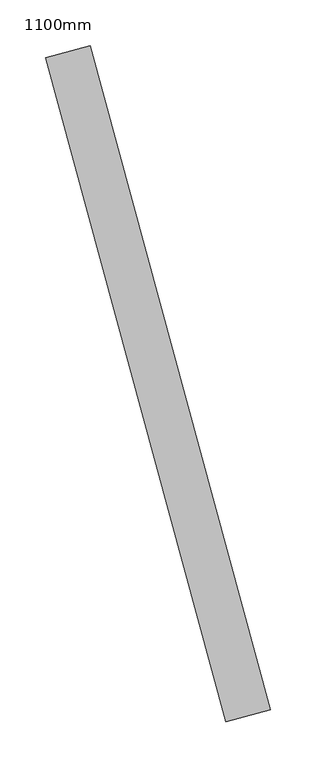
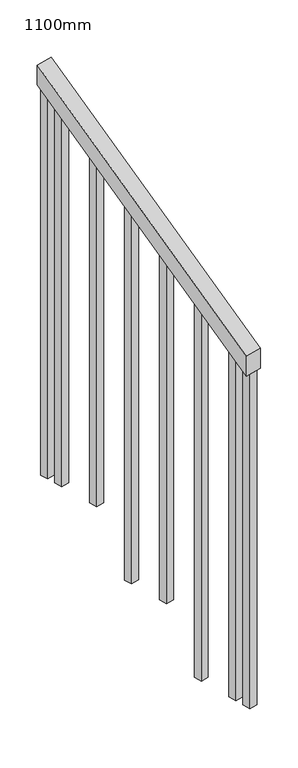
"""IFC4 building model written with IfcOpenShell, lengths in millimetres: railing geometry, 1100mm."""

from ifc_helpers import new_model, si_unit, frame, origin, place, context, project, spatial, polyline, outline, extrude, source, transform, mapped, element, save


def railing_1100mm_54353523(model_context):
    return source(origin(), model_context, "Body", "SweptSolid", [
        extrude(outline(polyline([(-35.5555555, -50.0), (0.0, 0.0), (920.2958461, 0.0), (884.7402905, -50.0), (-35.5555555, -50.0)])), frame((115059.6430548, 61086.4042028, 1277.7777778), z_axis=(0.9649894123601793, 0.26228883703420486, 0.0), x_axis=(-0.21375368431597294, 0.7864232597554067, 0.5795237863599971)), (0.0, 0.0, 1.0), 50.0),
        extrude(outline(polyline([(108.8888889, 0.0), (91.1111112, 25.0), (1271.980277, 25.0), (1271.980277, 0.0), (108.8888889, 0.0)])), frame((114894.6604575, 61741.0506666, 1805.3136103), z_axis=(0.9649894123601821, 0.2622888370341949, 0.0), x_axis=(0.0, 0.0, -1.0)), (0.0, 0.0, 1.0), 25.0),
        extrude(outline(polyline([(108.8888889, 0.0), (91.1111111, 25.0), (1183.0913881, 25.0), (1183.0913881, 0.0), (108.8888889, 0.0)])), frame((114927.4465621, 61620.42699, 1716.4247214), z_axis=(0.9649894123601821, 0.2622888370341949, 0.0), x_axis=(0.0, 0.0, -1.0)), (0.0, 0.0, 1.0), 25.0),
        extrude(outline(polyline([(108.8888889, 0.0), (91.1111111, 25.0), (1271.9802769, 25.0), (1271.9802769, 0.0), (108.8888889, 0.0)])), frame((114960.2326667, 61499.8033135, 1627.5358325), z_axis=(0.9649894123601821, 0.2622888370341949, 0.0), x_axis=(0.0, 0.0, -1.0)), (0.0, 0.0, 1.0), 25.0),
        extrude(outline(polyline([(108.8888889, 0.0), (91.1111111, 25.0000001), (1183.091388, 25.0000001), (1183.091388, 0.0), (108.8888889, 0.0)])), frame((114993.0187714, 61379.1796369, 1538.6469436), z_axis=(0.9649894123601821, 0.2622888370341949, 0.0), x_axis=(0.0, 0.0, -1.0)), (0.0, 0.0, 1.0), 25.0),
        extrude(outline(polyline([(108.8888889, 0.0), (91.1111111, 25.0), (1271.9802769, 25.0), (1271.9802769, 0.0), (108.8888889, 0.0)])), frame((115025.804876, 61258.5559604, 1449.7580547), z_axis=(0.9649894123601821, 0.2622888370341949, 0.0), x_axis=(0.0, 0.0, -1.0)), (0.0, 0.0, 1.0), 25.0),
        extrude(outline(polyline([(108.8888889, 0.0), (91.1111111, 25.0), (1183.091388, 25.0), (1183.091388, 0.0), (108.8888889, 0.0)])), frame((115058.5909806, 61137.9322839, 1360.8691658), z_axis=(0.9649894123601821, 0.2622888370341949, 0.0), x_axis=(0.0, 0.0, -1.0)), (0.0, 0.0, 1.0), 25.0),
        extrude(outline(polyline([(108.8888889, 0.0), (91.1111111, 25.0), (1307.5358325, 25.0), (1307.5358325, 0.0), (108.8888889, 0.0)])), frame((114881.5460156, 61789.3001372, 1840.8691658), z_axis=(0.9649894123601821, 0.2622888370341949, 0.0), x_axis=(0.0, 0.0, -1.0)), (0.0, 0.0, 1.0), 25.0),
        extrude(outline(polyline([(108.8888889, 0.0), (91.1111112, 25.0), (1147.5358325, 25.0), (1147.5358325, 0.0), (108.8888889, 0.0)])), frame((115071.7054225, 61089.6828132, 1325.3136103), z_axis=(0.9649894123601821, 0.2622888370341949, 0.0), x_axis=(0.0, 0.0, -1.0)), (0.0, 0.0, 1.0), 25.0),
    ])


if __name__ == "__main__":
    model = new_model("IFC4")
    model_context = context("Model", 3, world=origin())
    ifc_project = project(units=[si_unit("LENGTHUNIT", "METRE", prefix="MILLI")], contexts=[model_context])
    site = spatial("IfcSite", under=ifc_project)
    building = spatial("IfcBuilding", under=site)
    placement = place(None, origin())
    railing_1100mm_shape = railing_1100mm_54353523(model_context)
    element("IfcRailing", 1, ObjectType="1100mm", at=placement, inside=building, context=model_context, shape_type="MappedRepresentation", body=[
        mapped(railing_1100mm_shape, transform((0.0, 0.0, 0.0), x_axis=(1.0, 0.0, 0.0), y_axis=(0.0, 1.0, 0.0), z_axis=(0.0, 0.0, 1.0))),
    ])
    save(model, "model.ifc")
